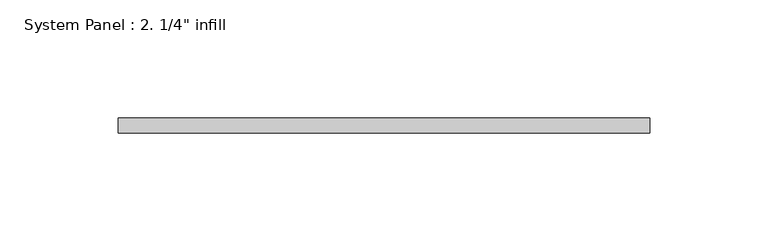
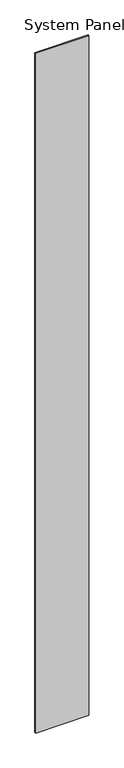
"""IFC4 building model written with IfcOpenShell, lengths in millimetres: plate geometry."""

from ifc_helpers import new_model, si_unit, origin, origin_with_axes, place, context, project, spatial, polyline, outline, extrude, source, transform, mapped, element, save


def plate_d0d85fa5(model_context):
    return source(origin(), model_context, "Body", "SweptSolid", [
        extrude(outline(polyline([(112.6870698, -6.35), (-112.6870698, -6.35), (-112.6870698, 0.0), (112.6870698, 0.0), (112.6870698, -6.35)])), origin_with_axes(), (0.0, 0.0, 1.0), 3048.0),
    ])


if __name__ == "__main__":
    model = new_model("IFC4")
    model_context = context("Model", 3, world=origin())
    ifc_project = project(units=[si_unit("LENGTHUNIT", "METRE", prefix="MILLI")], contexts=[model_context])
    site = spatial("IfcSite", under=ifc_project)
    building = spatial("IfcBuilding", under=site)
    placement = place(None, origin())
    plate_shape = plate_d0d85fa5(model_context)
    element("IfcPlate", 1, ObjectType="System Panel : 2. 1/4\" infill", at=placement, inside=building, context=model_context, shape_type="MappedRepresentation", body=[
        mapped(plate_shape, transform((0.0, 0.0, 0.0), x_axis=(1.0, 0.0, 0.0), y_axis=(0.0, 1.0, 0.0), z_axis=(0.0, 0.0, 1.0))),
    ])
    save(model, "model.ifc")
